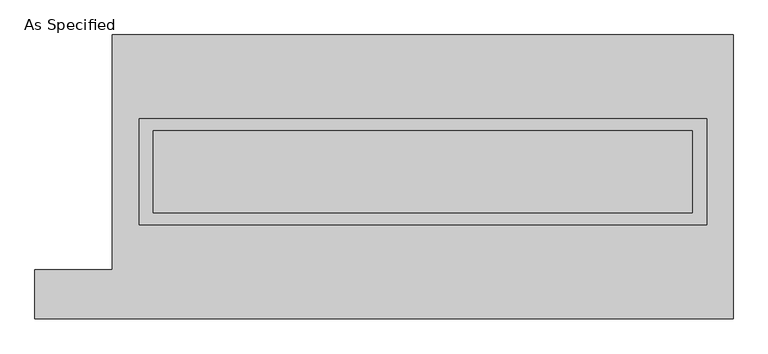
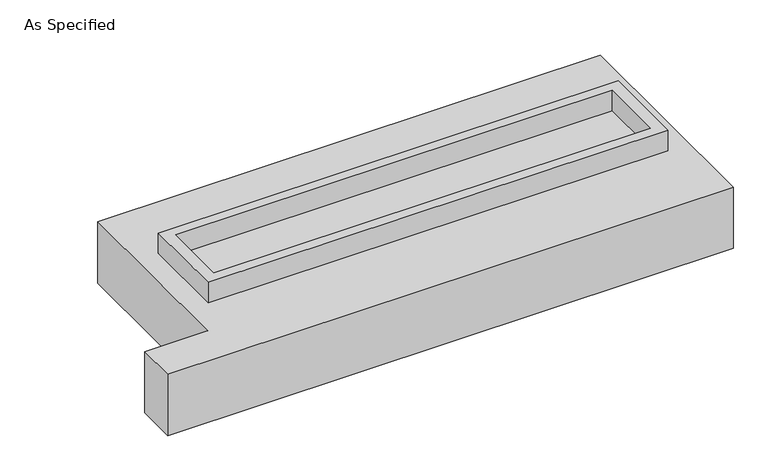
"""IFC4 building model written with IfcOpenShell, lengths in millimetres: proxy geometry, As Specified."""

import ifcopenshell
import ifcopenshell.guid

model = None  # the IFC model being written
_history = None  # IfcOwnerHistory: only IFC2X3 demands one
_inside = {}  # id of a spatial element -> (the spatial element, [elements in it])
_under = {}  # id of a project, library or spatial element -> (it, [spatial elements below it])
_declared = {}  # id of a project -> (the project, [libraries it declares])
_typed = {}  # id of a type object -> (the type object, [elements of that type])
_made_of = {}  # id of a material, layer set ... -> (it, [elements and type objects made of it])


def new_model(schema):
    """Start an empty IFC model of exactly this schema.

    Asked for "IFC4X3", IfcOpenShell would pick the latest addendum, in which some entities
    have other attributes; the version numbers below select the first issue.
    IFC2X3 requires an IfcOwnerHistory on every rooted entity: one is made here for all.
    """
    global model, _history
    if schema == "IFC4X3":
        model = ifcopenshell.file(schema_version=(4, 3, 0, 0))
    else:
        model = ifcopenshell.file(schema=schema)
    _inside.clear()
    _under.clear()
    _declared.clear()
    _typed.clear()
    _made_of.clear()
    _history = None
    if model.schema == "IFC2X3":
        org = make("IfcOrganization", Name="unknown")
        user = make(
            "IfcPersonAndOrganization",
            ThePerson=make("IfcPerson", FamilyName="unknown"),
            TheOrganization=org,
        )
        app = make(
            "IfcApplication",
            ApplicationDeveloper=org,
            Version="unknown",
            ApplicationFullName="unknown",
            ApplicationIdentifier="unknown",
        )
        _history = make(
            "IfcOwnerHistory",
            OwningUser=user,
            OwningApplication=app,
            ChangeAction="ADDED",
            CreationDate=0,
        )
    return model


def make(cls, **values):
    """One entity of the class cls with the attributes given. An attribute that is None is left unset."""
    return model.create_entity(
        cls, **{name: value for name, value in values.items() if value is not None}
    )


def rooted(cls, **values):
    """An entity with a GlobalId (a new one), such as an element, a storey or a relation."""
    return make(cls, GlobalId=ifcopenshell.guid.new(), OwnerHistory=_history, **values)


def si_unit(unit_type, name, prefix=None):
    """IfcSIUnit, for example si_unit("LENGTHUNIT", "METRE", prefix="MILLI")."""
    return make("IfcSIUnit", UnitType=unit_type, Prefix=prefix, Name=name)


def assignment(units):
    """IfcUnitAssignment: the units of a project."""
    return None if units is None else make("IfcUnitAssignment", Units=units)


def point(xyz):
    """IfcCartesianPoint."""
    return None if xyz is None else make("IfcCartesianPoint", Coordinates=xyz)


def direction(xyz):
    """IfcDirection."""
    return None if xyz is None else make("IfcDirection", DirectionRatios=xyz)


def frame(location, z_axis=None, x_axis=None):
    """IfcAxis2Placement3D, a coordinate frame: its origin and axes. An axis left out is left unset."""
    return make(
        "IfcAxis2Placement3D",
        Location=point(location),
        Axis=direction(z_axis),
        RefDirection=direction(x_axis),
    )


def origin():
    """The frame at (0, 0, 0) with its axes left unset."""
    return frame((0.0, 0.0, 0.0))


def place(relative_to, where):
    """IfcLocalPlacement: puts the frame where relative to a parent placement (None: the world)."""
    return make(
        "IfcLocalPlacement", PlacementRelTo=relative_to, RelativePlacement=where
    )


def context(
    kind, dimensions, precision=None, world=None, true_north=None, identifier=None
):
    """IfcGeometricRepresentationContext, for example the 3D "Model" context."""
    return make(
        "IfcGeometricRepresentationContext",
        ContextIdentifier=identifier,
        ContextType=kind,
        CoordinateSpaceDimension=dimensions,
        Precision=precision,
        WorldCoordinateSystem=world,
        TrueNorth=true_north,
    )


def project(units=None, contexts=None):
    """IfcProject with its units and contexts."""
    return rooted(
        "IfcProject",
        Name="project",
        RepresentationContexts=contexts,
        UnitsInContext=assignment(units),
    )


def spatial(cls, under=None, at=None, **own):
    """A site, building, storey or space (cls), placed at a placement, below another one or the project."""
    s = rooted(cls, ObjectPlacement=at, **own)
    if under is not None:
        _under.setdefault(under.id(), (under, []))[1].append(s)
    return s


def polyline(points):
    """IfcPolyline through the points."""
    return make("IfcPolyline", Points=[point(p) for p in points])


def outline(outer, holes=None, kind="AREA"):
    """IfcArbitraryClosedProfileDef: a profile drawn as a closed curve; with holes, ...WithVoids."""
    if holes is None:
        return make("IfcArbitraryClosedProfileDef", ProfileType=kind, OuterCurve=outer)
    return make(
        "IfcArbitraryProfileDefWithVoids",
        ProfileType=kind,
        OuterCurve=outer,
        InnerCurves=holes,
    )


def extrude(swept, where, along, depth):
    """IfcExtrudedAreaSolid: the profile swept, set in the frame where, extruded along a direction by depth."""
    return make(
        "IfcExtrudedAreaSolid",
        SweptArea=swept,
        Position=where,
        ExtrudedDirection=direction(along),
        Depth=depth,
    )


def faces_of(points, faces, orient=None, outer=None):
    """IfcFace entities. A face is a list of loops; a loop is a list of indices into points, from 0.

    orient and outer hold one flag for each loop. By default every Orientation is true, the
    first loop of a face is its IfcFaceOuterBound and the others are IfcFaceBound.
    """
    made = []
    for i, loops in enumerate(faces):
        bounds = []
        for j, loop in enumerate(loops):
            is_outer = j == 0 if outer is None else outer[i][j]
            bounds.append(
                make(
                    "IfcFaceOuterBound" if is_outer else "IfcFaceBound",
                    Bound=make("IfcPolyLoop", Polygon=[points[k] for k in loop]),
                    Orientation=True if orient is None else orient[i][j],
                )
            )
        made.append(make("IfcFace", Bounds=bounds))
    return made


def faceted_brep(points, faces, orient=None, outer=None, voids=None):
    """IfcFacetedBrep: a solid bounded by flat faces; with voids (closed shells), ...WithVoids."""
    shared = [point(p) for p in points]
    hull = make("IfcClosedShell", CfsFaces=faces_of(shared, faces, orient, outer))
    if voids is None:
        return make("IfcFacetedBrep", Outer=hull)
    return make(
        "IfcFacetedBrepWithVoids",
        Outer=hull,
        Voids=[
            make(cls, CfsFaces=faces_of(shared, fs, o, b)) for cls, fs, o, b in voids
        ],
    )


def shape(context_of_items, identifier, shape_type, items):
    """IfcShapeRepresentation: the items that make up one representation, for example the "Body"."""
    return make(
        "IfcShapeRepresentation",
        ContextOfItems=context_of_items,
        RepresentationIdentifier=identifier,
        RepresentationType=shape_type,
        Items=items,
    )


def source(mapping_origin, context_of_items, identifier, shape_type, items):
    """IfcRepresentationMap: a shape defined once, which mapped items show again and again."""
    return make(
        "IfcRepresentationMap",
        MappingOrigin=mapping_origin,
        MappedRepresentation=shape(context_of_items, identifier, shape_type, items),
    )


def transform(
    local_origin,
    x_axis=None,
    y_axis=None,
    z_axis=None,
    scale=None,
    scale2=None,
    scale3=None,
    uniform=True,
):
    """IfcCartesianTransformationOperator3D, or its non-uniform kind. x_axis, y_axis, z_axis: its Axis1, 2, 3."""
    if uniform:
        return make(
            "IfcCartesianTransformationOperator3D",
            Axis1=direction(x_axis),
            Axis2=direction(y_axis),
            LocalOrigin=point(local_origin),
            Scale=scale,
            Axis3=direction(z_axis),
        )
    return make(
        "IfcCartesianTransformationOperator3DnonUniform",
        Axis1=direction(x_axis),
        Axis2=direction(y_axis),
        LocalOrigin=point(local_origin),
        Scale=scale,
        Axis3=direction(z_axis),
        Scale2=scale2,
        Scale3=scale3,
    )


def mapped(mapping_source, mapping_target):
    """IfcMappedItem: shows the shape of a source again, moved by a transform."""
    return make(
        "IfcMappedItem", MappingSource=mapping_source, MappingTarget=mapping_target
    )


def made_of(thing, what):
    """Note that an element or type object is made of a material, layer set ...; save() writes the relation."""
    if what is not None:
        _made_of.setdefault(what.id(), (what, []))[1].append(thing)
    return thing


def element(
    cls,
    number,
    at=None,
    inside=None,
    cuts=None,
    type_object=None,
    material=None,
    context=None,
    identifier="Body",
    shape_type=None,
    held_by="IfcProductDefinitionShape",
    body=None,
    shapes=None,
    **own,
):
    """One element of the class cls, such as IfcWall. Its Tag is "e" and its number.

    at: its placement. inside: the storey or other place that contains it. cuts: it is an
    opening in that element (IfcRelVoidsElement). A single representation is given by context,
    identifier, shape_type and body (its items); several are given by shapes. held_by: the class
    of the entity that holds the representations. save() writes the other relations.
    """
    e = rooted(cls, Tag="e%d" % number, ObjectPlacement=at, **own)
    if body is not None:
        shapes = [shape(context, identifier, shape_type, body)]
    if shapes is not None:
        e.Representation = make(held_by, Representations=shapes)
    if inside is not None:
        _inside.setdefault(inside.id(), (inside, []))[1].append(e)
    if cuts is not None:
        rooted(
            "IfcRelVoidsElement", RelatingBuildingElement=cuts, RelatedOpeningElement=e
        )
    if type_object is not None:
        _typed.setdefault(type_object.id(), (type_object, []))[1].append(e)
    return made_of(e, material)


def aggregate(whole, parts):
    """IfcRelAggregates: a whole, such as a stair, and the parts it consists of."""
    return rooted("IfcRelAggregates", RelatingObject=whole, RelatedObjects=parts)


def save(model, path):
    """Write the relations noted so far, then the file.

    IfcRelAggregates (storeys below a building ...), IfcRelContainedInSpatialStructure (elements
    in a storey), IfcRelDefinesByType, IfcRelAssociatesMaterial and IfcRelDeclares: one each for
    every whole, place, type object, material and project.
    """
    for whole, parts in _under.values():
        aggregate(whole, parts)
    for where, things in _inside.values():
        rooted(
            "IfcRelContainedInSpatialStructure",
            RelatedElements=things,
            RelatingStructure=where,
        )
    for kind, things in _typed.values():
        rooted("IfcRelDefinesByType", RelatedObjects=things, RelatingType=kind)
    for what, things in _made_of.values():
        rooted("IfcRelAssociatesMaterial", RelatedObjects=things, RelatingMaterial=what)
    for by, libraries in _declared.values():
        rooted("IfcRelDeclares", RelatingContext=by, RelatedDefinitions=libraries)
    model.write(path)


def as_specified_882504ac(model_context):
    return source(origin(), model_context, "Body", "SolidModel", [
        extrude(outline(polyline([(1765.3, 361.95), (1765.3, -298.45), (-1765.3, -298.45), (-1765.3, 361.95), (1765.3, 361.95)]), holes=[polyline([(1676.4, 285.75), (-1676.4, 285.75), (-1676.4, -222.25), (1676.4, -222.25), (1676.4, 285.75)])]), frame((0.0, 0.0, -25.4), z_axis=(0.0, 0.0, 1.0), x_axis=(1.0, 0.0, 0.0)), (0.0, 0.0, 1.0), 165.1),
        extrude(outline(polyline([(1676.4, 285.75), (1676.4, -222.25), (-1676.4, -222.25), (-1676.4, 285.75), (1676.4, 285.75)])), frame((0.0, 0.0, -30.3609375), z_axis=(0.0, 0.0, 1.0), x_axis=(1.0, 0.0, 0.0)), (0.0, 0.0, 1.0), 4.9609375),
        faceted_brep([(-1930.4, 882.65, -523.875), (1930.4, 882.65, -523.875), (1930.4, -882.65, -523.875), (-2413.0, -882.65, -523.875), (-2413.0, -577.85, -523.875), (-1930.4, -577.85, -523.875), (1930.4, 882.65, -25.4), (-1930.4, 882.65, -25.4), (-1930.4, -577.85, -25.4), (-2413.0, -577.85, -25.4), (-2413.0, -882.65, -25.4), (1930.4, -882.65, -25.4), (-1765.3, -298.45, -25.4), (-1765.3, 361.95, -25.4), (1765.3, 361.95, -25.4), (1765.3, -298.45, -25.4), (1765.3, 361.95, -498.475), (-1765.3, 361.95, -498.475), (-1765.3, -298.45, -498.475), (1765.3, -298.45, -498.475)], [[[0, 1, 2, 3, 4, 5]], [[6, 7, 8, 9, 10, 11], [12, 13, 14, 15]], [[1, 0, 7, 6]], [[7, 0, 5, 8]], [[1, 6, 11, 2]], [[16, 17, 18, 19]], [[18, 17, 13, 12]], [[17, 16, 14, 13]], [[16, 19, 15, 14]], [[12, 15, 19, 18]], [[3, 2, 11, 10]], [[5, 4, 9, 8]], [[4, 3, 10, 9]]]),
    ])


if __name__ == "__main__":
    model = new_model("IFC4")
    model_context = context("Model", 3, world=origin())
    ifc_project = project(units=[si_unit("LENGTHUNIT", "METRE", prefix="MILLI")], contexts=[model_context])
    site = spatial("IfcSite", under=ifc_project)
    building = spatial("IfcBuilding", under=site)
    placement = place(None, origin())
    as_specified_shape = as_specified_882504ac(model_context)
    element("IfcBuildingElementProxy", 1, Name="As Specified", ObjectType="As Specified", at=placement, inside=building, context=model_context, shape_type="MappedRepresentation", body=[
        mapped(as_specified_shape, transform((0.0, 0.0, 0.0), x_axis=(1.0, 0.0, 0.0), y_axis=(0.0, 1.0, 0.0), z_axis=(0.0, 0.0, 1.0))),
    ])
    save(model, "model.ifc")
